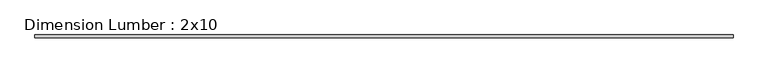
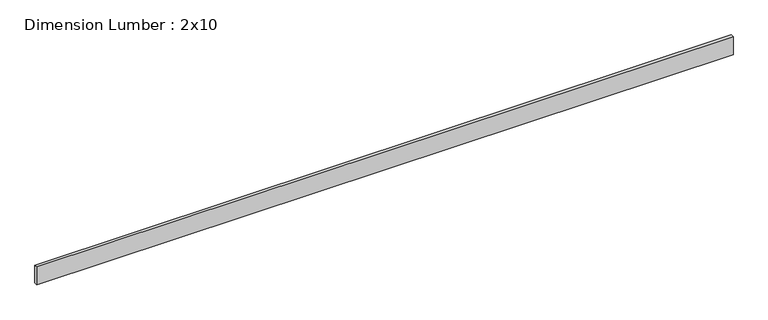
"""IFC4 building model written with IfcOpenShell, lengths in millimetres: beam geometry, Dimension Lumber : 2x10."""

from ifc_helpers import new_model, si_unit, frame, origin, place, context, project, spatial, polyline, outline, extrude, source, transform, mapped, element, save


def dimension_lumber_2x10_16040295(model_context):
    return source(origin(), model_context, "Body", "SweptSolid", [
        extrude(outline(polyline([(4314.6771157, 19.05), (4314.6771157, -19.05), (-4314.6771157, -19.05), (-4314.6771157, 19.05), (4314.6771157, 19.05)])), frame((0.0, 0.0, -117.475), z_axis=(0.0, 0.0, 1.0), x_axis=(1.0, 0.0, 0.0)), (0.0, 0.0, 1.0), 234.95),
    ])


if __name__ == "__main__":
    model = new_model("IFC4")
    model_context = context("Model", 3, world=origin())
    ifc_project = project(units=[si_unit("LENGTHUNIT", "METRE", prefix="MILLI")], contexts=[model_context])
    site = spatial("IfcSite", under=ifc_project)
    building = spatial("IfcBuilding", under=site)
    placement = place(None, origin())
    dimension_lumber_2x10_shape = dimension_lumber_2x10_16040295(model_context)
    element("IfcBeam", 1, ObjectType="Dimension Lumber : 2x10", at=placement, inside=building, context=model_context, shape_type="MappedRepresentation", body=[
        mapped(dimension_lumber_2x10_shape, transform((0.0, 0.0, 0.0), x_axis=(1.0, 0.0, 0.0), y_axis=(0.0, 1.0, 0.0), z_axis=(0.0, 0.0, 1.0))),
    ])
    save(model, "model.ifc")
